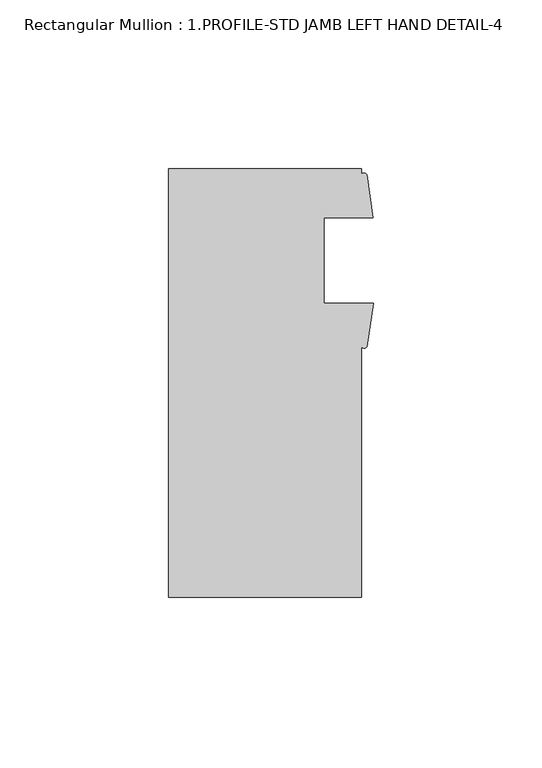
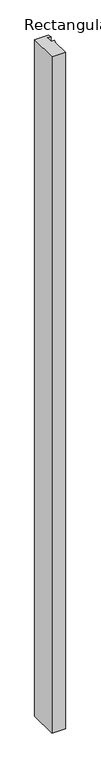
"""IFC4 building model written with IfcOpenShell, lengths in millimetres: member geometry, Rectangular Mullion : 1.PROFILE-STD JAMB LEFT HAND DETAIL-4."""

from ifc_helpers import new_model, si_unit, point, frame, frame_2d, origin, place, context, project, spatial, polyline, circle_curve, trimmed, segment, composite_curve, outline, extrude, source, transform, mapped, element, save


def rectangular_mullion_1_profile_std_jamb_left_hand_detail_4_14f120de(model_context):
    return source(origin(), model_context, "Body", "SweptSolid", [
        extrude(outline(composite_curve([segment(polyline([(-60.6695217, -66.5659319), (-60.6695217, 60.4340681), (-3.5195217, 60.4340681), (-3.5195217, 58.6589775)]), True, "CONTINUOUS"), segment(trimmed(circle_curve(frame_2d((-2.7235368, 58.2678127)), 0.8869058), [point((-3.5195217, 58.6589775))], [point((-1.9275518, 58.6589775))], False, "CARTESIAN"), True, "CONTINUOUS"), segment(polyline([(-1.9275518, 58.6589775), (-0.1235217, 45.9305431), (-14.6320217, 45.9305431), (-14.6320217, 20.5305431), (0.0, 20.5305431), (-1.8561173, 7.7574903)]), True, "CONTINUOUS"), segment(trimmed(circle_curve(frame_2d((-2.6878195, 8.2742316)), 0.9791578), [point((-1.8561173, 7.7574903))], [point((-3.5195217, 7.7574903))], False, "CARTESIAN"), True, "CONTINUOUS"), segment(polyline([(-3.5195217, 7.7574903), (-3.5195217, -66.5659319), (-60.6695217, -66.5659319)]), True, "CONTINUOUS")], self_intersect=False)), frame((0.0, 0.0, -3048.0), z_axis=(0.0, 0.0, 1.0), x_axis=(1.0, 0.0, 0.0)), (0.0, 0.0, 1.0), 3048.0),
    ])


if __name__ == "__main__":
    model = new_model("IFC4")
    model_context = context("Model", 3, world=origin())
    ifc_project = project(units=[si_unit("LENGTHUNIT", "METRE", prefix="MILLI")], contexts=[model_context])
    site = spatial("IfcSite", under=ifc_project)
    building = spatial("IfcBuilding", under=site)
    placement = place(None, origin())
    rectangular_mullion_1_profile_std_jamb_left_hand_detail_4_shape = rectangular_mullion_1_profile_std_jamb_left_hand_detail_4_14f120de(model_context)
    element("IfcMember", 1, ObjectType="Rectangular Mullion : 1.PROFILE-STD JAMB LEFT HAND DETAIL-4", at=placement, inside=building, context=model_context, shape_type="MappedRepresentation", body=[
        mapped(rectangular_mullion_1_profile_std_jamb_left_hand_detail_4_shape, transform((0.0, 0.0, 0.0), x_axis=(1.0, 0.0, 0.0), y_axis=(0.0, 1.0, 0.0), z_axis=(0.0, 0.0, 1.0))),
    ])
    save(model, "model.ifc")
